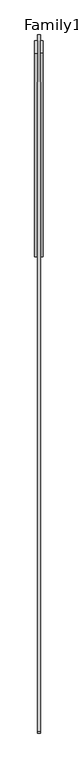
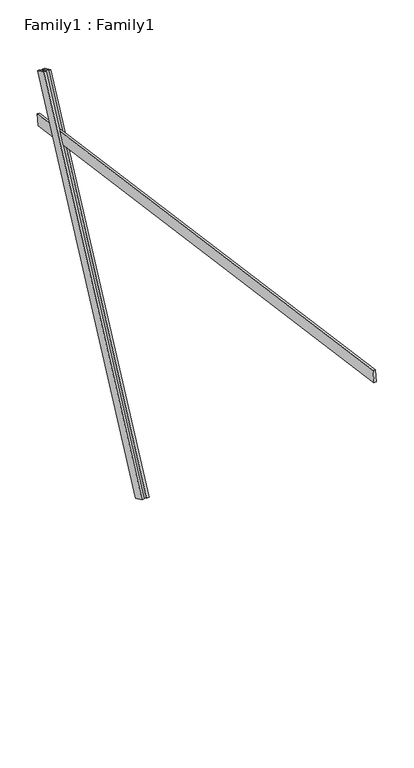
"""IFC4 building model written with IfcOpenShell, lengths in millimetres: proxy geometry, Family1 : Family1."""

from ifc_helpers import new_model, si_unit, frame, origin, place, context, project, spatial, polyline, outline, extrude, source, transform, mapped, element, save


def family1_family1_200c07f9(model_context):
    return source(origin(), model_context, "Body", "SweptSolid", [
        extrude(outline(polyline([(0.0, 0.0), (0.0, -20.0), (-100.0000001, -20.0), (-100.0000001, 0.0), (0.0, 0.0)])), frame((-30.0, 46.3241747, -22.5938096), z_axis=(0.0, 0.4383711467890692, 0.8987940462991711), x_axis=(0.0, 0.8987940462991711, -0.4383711467890692)), (0.0, 0.0, 1.0), 3300.0),
        extrude(outline(polyline([(0.0, 0.0), (0.0, -20.0), (-99.9999999, -20.0), (-99.9999999, 0.0), (0.0, 0.0)])), frame((10.0, 45.270232, -22.0797674), z_axis=(0.0, 0.4383711467890692, 0.8987940462991711), x_axis=(0.0, 0.8987940462991711, -0.4383711467890692)), (0.0, 0.0, 1.0), 3300.0),
        extrude(outline(polyline([(0.0, -20.0), (0.0, 0.0), (5000.0, 0.0), (5000.0, -20.0), (0.0, -20.0)])), frame((-10.0, -3432.0587311, 3120.9816811), z_axis=(0.0, 0.13917310096006746, 0.9902680687415701), x_axis=(0.0, 0.9902680687415701, -0.13917310096006746)), (0.0, 0.0, 1.0), 100.0),
    ])


if __name__ == "__main__":
    model = new_model("IFC4")
    model_context = context("Model", 3, world=origin())
    ifc_project = project(units=[si_unit("LENGTHUNIT", "METRE", prefix="MILLI")], contexts=[model_context])
    site = spatial("IfcSite", under=ifc_project)
    building = spatial("IfcBuilding", under=site)
    placement = place(None, origin())
    family1_family1_shape = family1_family1_200c07f9(model_context)
    element("IfcBuildingElementProxy", 1, Name="Family1 : Family1", ObjectType="Family1 : Family1", at=placement, inside=building, context=model_context, shape_type="MappedRepresentation", body=[
        mapped(family1_family1_shape, transform((0.0, 0.0, 0.0), x_axis=(1.0, 0.0, 0.0), y_axis=(0.0, 1.0, 0.0), z_axis=(0.0, 0.0, 1.0))),
    ])
    save(model, "model.ifc")
